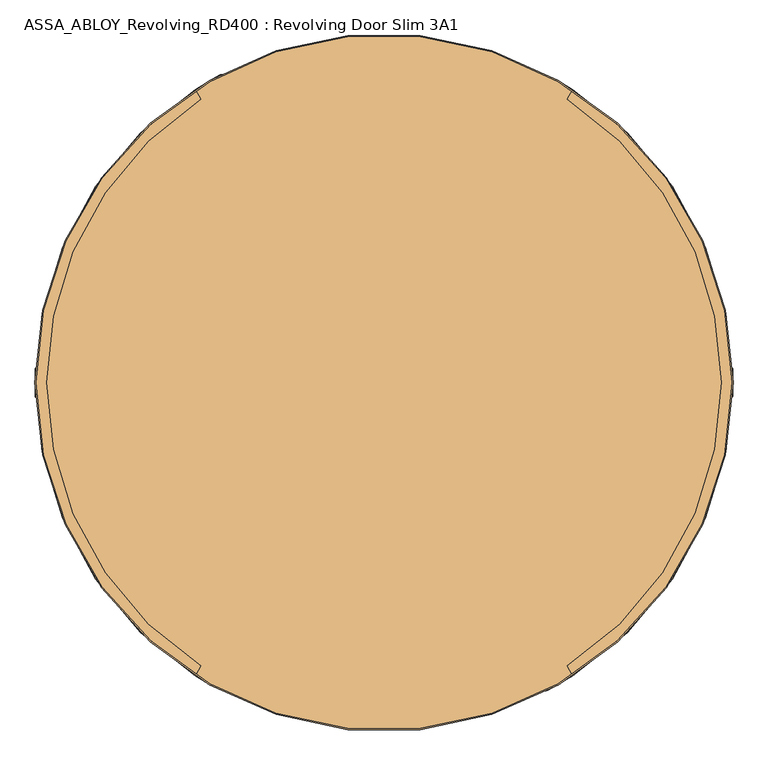
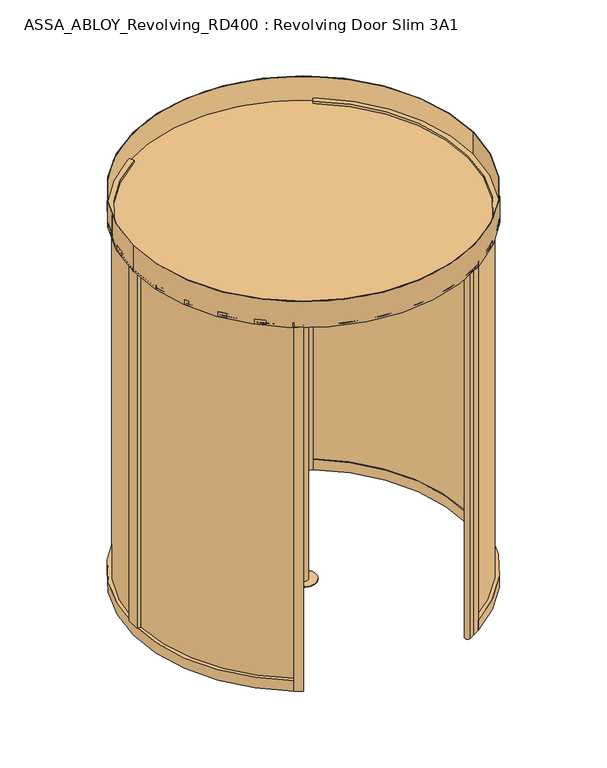
"""IFC4 building model written with IfcOpenShell, lengths in millimetres: door geometry, ASSA_ABLOY_Revolving_RD400 : Revolving Door Slim 3A1."""

from ifc_helpers import new_model, si_unit, point, frame, frame_2d, origin, origin_with_axes, origin_2d, place, context, project, spatial, polyline, circle_curve, trimmed, segment, composite_curve, outline, extrude, source, transform, mapped, element, save


def assa_abloy_revolving_rd400_revolving_door_slim_3a1_daf3db0e(model_context):
    return source(origin(), model_context, "Body", "SweptSolid", [
        extrude(outline(polyline([(28.0, -1107.4407922), (47.8848654, -1114.768158), (47.8848654, -1118.3412198), (28.0, -1125.6685856), (28.0, -1122.8463846), (33.6340452, -1120.842363), (33.6340452, -1112.2721931), (28.0, -1110.2681716), (28.0, -1107.4407922)]), holes=[polyline([(35.9539462, -1113.126621), (35.9539462, -1120.0034703), (45.4562191, -1116.5546889), (35.9539462, -1113.126621)])]), frame((0.0, -22.0, 0.0), z_axis=(0.0, 1.0, 0.0), x_axis=(0.0, 0.0, 1.0)), (0.0, 0.0, 1.0), 2.0),
        extrude(outline(polyline([(33.6858287, -1089.8758278), (36.999973, -1091.0383674), (38.7709688, -1094.505273), (39.3172847, -1097.2731013), (39.7703904, -1099.7923687), (40.8500765, -1102.1355723), (42.794547, -1102.8009903), (45.0290052, -1101.4442625), (45.8963789, -1097.8556657), (45.2361392, -1093.8761034), (43.5764779, -1090.5386566), (46.7870552, -1090.5386566), (47.804601, -1093.7466447), (48.2162799, -1097.7262069), (46.6239371, -1103.269631), (42.5408079, -1105.4523057), (39.0195296, -1104.1292372), (37.1087183, -1100.061643), (36.6685585, -1097.4931812), (36.2283987, -1095.2405988), (35.2574581, -1093.1977395), (33.3129875, -1092.5271432), (30.8946979, -1093.9330653), (29.9884865, -1097.8660224), (30.6772071, -1101.6772883), (32.6398019, -1105.4523057), (29.2790525, -1105.4523057), (28.0750861, -1101.9051357), (27.6685856, -1097.9747678), (28.147583, -1094.4949163), (29.4810082, -1091.9678813), (31.3944087, -1090.4247329), (33.6858287, -1089.8758278)])), frame((0.0, -22.0, 0.0), z_axis=(0.0, 1.0, 0.0), x_axis=(0.0, 0.0, 1.0)), (0.0, 0.0, 1.0), 2.0),
        extrude(outline(polyline([(33.6858287, -1070.9852056), (36.999973, -1072.1477453), (38.7709688, -1075.6146508), (39.3172847, -1078.3824791), (39.7703904, -1080.9017466), (40.8500765, -1083.2449501), (42.794547, -1083.9103681), (45.0290052, -1082.5536403), (45.8963789, -1078.9650435), (45.2361392, -1074.9854813), (43.5764779, -1071.6480344), (46.7870552, -1071.6480344), (47.804601, -1074.8560225), (48.2162799, -1078.8355848), (46.6239371, -1084.3790088), (42.5408079, -1086.5616835), (39.0195296, -1085.238615), (37.1087183, -1081.1710208), (36.6685585, -1078.602559), (36.2283987, -1076.3499766), (35.2574581, -1074.3071174), (33.3129875, -1073.636521), (30.8946979, -1075.0424431), (29.9884865, -1078.9754002), (30.6772071, -1082.7866661), (32.6398019, -1086.5616835), (29.2790525, -1086.5616835), (28.0750861, -1083.0145135), (27.6685856, -1079.0841456), (28.147583, -1075.6042941), (29.4810082, -1073.0772591), (31.3944087, -1071.5341107), (33.6858287, -1070.9852056)])), frame((0.0, -22.0, 0.0), z_axis=(0.0, 1.0, 0.0), x_axis=(0.0, 0.0, 1.0)), (0.0, 0.0, 1.0), 2.0),
        extrude(outline(polyline([(28.0, -1050.7689257), (47.8848654, -1058.0962915), (47.8848654, -1061.6693533), (28.0, -1068.996719), (28.0, -1066.1745181), (33.6340452, -1064.1704965), (33.6340452, -1055.6003266), (28.0, -1053.596305), (28.0, -1050.7689257)]), holes=[polyline([(35.9539462, -1056.4547544), (35.9539462, -1063.3316037), (45.4562191, -1059.8828224), (35.9539462, -1056.4547544)])]), frame((0.0, -22.0, 0.0), z_axis=(0.0, 1.0, 0.0), x_axis=(0.0, 0.0, 1.0)), (0.0, 0.0, 1.0), 2.0),
        extrude(outline(polyline([(28.0, -1022.2672852), (47.8848654, -1029.594651), (47.8848654, -1033.1677128), (28.0, -1040.4950786), (28.0, -1037.6728776), (33.6340452, -1035.668856), (33.6340452, -1027.0986861), (28.0, -1025.0946645), (28.0, -1022.2672852)]), holes=[polyline([(35.9539462, -1027.953114), (35.9539462, -1034.8299633), (45.4562191, -1031.3811819), (35.9539462, -1027.953114)])]), frame((0.0, -22.0, 0.0), z_axis=(0.0, 1.0, 0.0), x_axis=(0.0, 0.0, 1.0)), (0.0, 0.0, 1.0), 2.0),
        extrude(outline(polyline([(34.1311668, -1004.0394919), (37.561824, -1005.2097991), (39.4441543, -1008.4100196), (41.0597997, -1006.4370681), (43.4521975, -1005.696564), (45.5960346, -1006.2014532), (47.0615077, -1007.824866), (47.7269258, -1009.9402222), (47.8848654, -1013.2673123), (47.8848654, -1019.2845554), (28.0, -1019.2845554), (28.0, -1012.1177185), (28.3754304, -1008.6482237), (29.6311804, -1006.1419022), (31.5083324, -1004.6091105), (34.1311668, -1004.0394919)]), holes=[polyline([(41.5595105, -1009.6631804), (39.9309193, -1013.0498216), (39.9309193, -1016.63324), (45.5649645, -1016.63324), (45.5649645, -1013.3294525), (45.4795217, -1011.0069623), (41.5595105, -1009.6631804)]), polyline([(34.0172431, -1006.6908073), (32.3187442, -1007.0507027), (31.148437, -1008.1821722), (30.4985541, -1010.0645026), (30.319901, -1013.0083948), (30.319901, -1016.63324), (37.6110183, -1016.63324), (37.6110183, -1012.3352092), (37.5126296, -1010.0308433), (37.0828266, -1008.4203763), (35.8995735, -1007.0636485), (34.0172431, -1006.6908073)])]), frame((0.0, -22.0, 0.0), z_axis=(0.0, 1.0, 0.0), x_axis=(0.0, 0.0, 1.0)), (0.0, 0.0, 1.0), 2.0),
        extrude(outline(polyline([(28.0, -987.8001851), (30.319901, -987.8001851), (30.319901, -997.7426179), (47.8848654, -997.7426179), (47.8848654, -1000.3939332), (28.0, -1000.3939332), (28.0, -987.8001851)])), frame((0.0, -22.0, 0.0), z_axis=(0.0, 1.0, 0.0), x_axis=(0.0, 0.0, 1.0)), (0.0, 0.0, 1.0), 2.0),
        extrude(outline(polyline([(45.5390727, -970.3905712), (47.5197917, -973.2464314), (48.2162799, -977.0343947), (47.5275593, -980.7861095), (45.5390727, -983.6678615), (42.2611769, -985.5113543), (37.9372544, -986.143113), (33.5770834, -985.5035867), (30.3561494, -983.6782182), (28.3573062, -980.7990554), (27.6685856, -977.0343947), (28.3443603, -973.2593773), (30.3561494, -970.3905712), (33.571905, -968.5677918), (37.9372544, -967.9153197), (42.292247, -968.554846), (45.5390727, -970.3905712)]), holes=[polyline([(37.9372544, -970.5666351), (32.0339349, -972.3169175), (29.9884865, -977.024038), (32.0339349, -981.7337477), (37.9372544, -983.4917976), (43.8250388, -981.7674069), (45.8963789, -977.024038), (43.8250388, -972.2962041), (37.9372544, -970.5666351)])]), frame((0.0, -22.0, 0.0), z_axis=(0.0, 1.0, 0.0), x_axis=(0.0, 0.0, 1.0)), (0.0, 0.0, 1.0), 2.0),
        extrude(outline(polyline([(47.8848654, -949.0246975), (47.8848654, -952.1938479), (38.9884595, -957.6259375), (47.8848654, -963.1149889), (47.8848654, -966.2582476), (36.4407111, -958.9671302), (28.0, -958.9671302), (28.0, -956.3158148), (36.720342, -956.3158148), (47.8848654, -949.0246975)])), frame((0.0, -22.0, 0.0), z_axis=(0.0, 1.0, 0.0), x_axis=(0.0, 0.0, 1.0)), (0.0, 0.0, 1.0), 2.0),
        extrude(outline(polyline([(28.0, -967.9153197), (28.0, -965.0879404), (33.6340452, -963.0839188), (33.6340452, -954.5137489), (28.0, -952.5097273), (28.0, -949.6875264), (47.8848654, -957.0148921), (47.8848654, -960.5879539), (28.0, -967.9153197)]), holes=[polyline([(35.9539462, -962.229491), (45.4562191, -958.801423), (35.9539462, -955.3526417), (35.9539462, -962.229491)])]), frame((0.0, 20.0, 0.0), z_axis=(0.0, 1.0, 0.0), x_axis=(0.0, 0.0, 1.0)), (0.0, 0.0, 1.0), 2.0),
        extrude(outline(polyline([(33.6858287, -985.4802842), (31.3944087, -984.931379), (29.4810082, -983.3882306), (28.147583, -980.8611956), (27.6685856, -977.3813442), (28.0750861, -973.4509762), (29.2790525, -969.9038062), (32.6398019, -969.9038062), (30.6772071, -973.6788237), (29.9884865, -977.4900895), (30.8946979, -981.4230466), (33.3129875, -982.8289688), (35.2574581, -982.1583724), (36.2283987, -980.1155132), (36.6685585, -977.8629308), (37.1087183, -975.294469), (39.0195296, -971.2268747), (42.5408079, -969.9038062), (46.6239371, -972.0864809), (48.2162799, -977.629905), (47.804601, -981.6094673), (46.7870552, -984.8174553), (43.5764779, -984.8174553), (45.2361392, -981.4800085), (45.8963789, -977.5004462), (45.0290052, -973.9118494), (42.794547, -972.5551216), (40.8500765, -973.2205396), (39.7703904, -975.5637432), (39.3172847, -978.0830106), (38.7709688, -980.8508389), (36.999973, -984.3177445), (33.6858287, -985.4802842)])), frame((0.0, 20.0, 0.0), z_axis=(0.0, 1.0, 0.0), x_axis=(0.0, 0.0, 1.0)), (0.0, 0.0, 1.0), 2.0),
        extrude(outline(polyline([(33.6858287, -1004.3709063), (31.3944087, -1003.8220012), (29.4810082, -1002.2788528), (28.147583, -999.7518178), (27.6685856, -996.2719663), (28.0750861, -992.3415984), (29.2790525, -988.7944284), (32.6398019, -988.7944284), (30.6772071, -992.5694458), (29.9884865, -996.3807117), (30.8946979, -1000.3136688), (33.3129875, -1001.7195909), (35.2574581, -1001.0489946), (36.2283987, -999.0061353), (36.6685585, -996.7535529), (37.1087183, -994.1850911), (39.0195296, -990.1174969), (42.5408079, -988.7944284), (46.6239371, -990.9771031), (48.2162799, -996.5205272), (47.804601, -1000.5000894), (46.7870552, -1003.7080775), (43.5764779, -1003.7080775), (45.2361392, -1000.3706307), (45.8963789, -996.3910684), (45.0290052, -992.8024716), (42.794547, -991.4457438), (40.8500765, -992.1111618), (39.7703904, -994.4543654), (39.3172847, -996.9736328), (38.7709688, -999.7414611), (36.999973, -1003.2083667), (33.6858287, -1004.3709063)])), frame((0.0, 20.0, 0.0), z_axis=(0.0, 1.0, 0.0), x_axis=(0.0, 0.0, 1.0)), (0.0, 0.0, 1.0), 2.0),
        extrude(outline(polyline([(28.0, -1024.5871862), (28.0, -1021.7598069), (33.6340452, -1019.7557853), (33.6340452, -1011.1856154), (28.0, -1009.1815938), (28.0, -1006.3593929), (47.8848654, -1013.6867587), (47.8848654, -1017.2598204), (28.0, -1024.5871862)]), holes=[polyline([(35.9539462, -1018.9013575), (45.4562191, -1015.4732895), (35.9539462, -1012.0245082), (35.9539462, -1018.9013575)])]), frame((0.0, 20.0, 0.0), z_axis=(0.0, 1.0, 0.0), x_axis=(0.0, 0.0, 1.0)), (0.0, 0.0, 1.0), 2.0),
        extrude(outline(polyline([(28.0, -1053.0888267), (28.0, -1050.2614474), (33.6340452, -1048.2574258), (33.6340452, -1039.6872559), (28.0, -1037.6832343), (28.0, -1034.8610334), (47.8848654, -1042.1883991), (47.8848654, -1045.7614609), (28.0, -1053.0888267)]), holes=[polyline([(35.9539462, -1047.402998), (45.4562191, -1043.97493), (35.9539462, -1040.5261487), (35.9539462, -1047.402998)])]), frame((0.0, 20.0, 0.0), z_axis=(0.0, 1.0, 0.0), x_axis=(0.0, 0.0, 1.0)), (0.0, 0.0, 1.0), 2.0),
        extrude(outline(polyline([(34.1311668, -1071.31662), (31.5083324, -1070.7470015), (29.6311804, -1069.2142098), (28.3754304, -1066.7078882), (28.0, -1063.2383934), (28.0, -1056.0715565), (47.8848654, -1056.0715565), (47.8848654, -1062.0887996), (47.7269258, -1065.4158898), (47.0615077, -1067.5312459), (45.5960346, -1069.1546587), (43.4521975, -1069.6595479), (41.0597997, -1068.9190438), (39.4441543, -1066.9460923), (37.561824, -1070.1463128), (34.1311668, -1071.31662)]), holes=[polyline([(41.5595105, -1065.6929315), (45.4795217, -1064.3491496), (45.5649645, -1062.0266594), (45.5649645, -1058.7228719), (39.9309193, -1058.7228719), (39.9309193, -1062.3062904), (41.5595105, -1065.6929315)]), polyline([(34.0172431, -1068.6653046), (35.8995735, -1068.2924634), (37.0828266, -1066.9357356), (37.5126296, -1065.3252686), (37.6110183, -1063.0209027), (37.6110183, -1058.7228719), (30.319901, -1058.7228719), (30.319901, -1062.3477172), (30.4985541, -1065.2916094), (31.148437, -1067.1739397), (32.3187442, -1068.3054093), (34.0172431, -1068.6653046)])]), frame((0.0, 20.0, 0.0), z_axis=(0.0, 1.0, 0.0), x_axis=(0.0, 0.0, 1.0)), (0.0, 0.0, 1.0), 2.0),
        extrude(outline(polyline([(28.0, -1087.5559268), (28.0, -1074.9621787), (47.8848654, -1074.9621787), (47.8848654, -1077.6134941), (30.319901, -1077.6134941), (30.319901, -1087.5559268), (28.0, -1087.5559268)])), frame((0.0, 20.0, 0.0), z_axis=(0.0, 1.0, 0.0), x_axis=(0.0, 0.0, 1.0)), (0.0, 0.0, 1.0), 2.0),
        extrude(outline(polyline([(45.5390727, -1104.9655408), (42.292247, -1106.801266), (37.9372544, -1107.4407922), (33.571905, -1106.7883201), (30.3561494, -1104.9655408), (28.3443603, -1102.0967347), (27.6685856, -1098.3217172), (28.3573062, -1094.5570565), (30.3561494, -1091.6778937), (33.5770834, -1089.8525252), (37.9372544, -1089.2129989), (42.2611769, -1089.8447577), (45.5390727, -1091.6882504), (47.5275593, -1094.5700024), (48.2162799, -1098.3217172), (47.5197917, -1102.1096805), (45.5390727, -1104.9655408)]), holes=[polyline([(37.9372544, -1104.7894769), (43.8250388, -1103.0599078), (45.8963789, -1098.3320739), (43.8250388, -1093.588705), (37.9372544, -1091.8643143), (32.0339349, -1093.6223643), (29.9884865, -1098.3320739), (32.0339349, -1103.0391944), (37.9372544, -1104.7894769)])]), frame((0.0, 20.0, 0.0), z_axis=(0.0, 1.0, 0.0), x_axis=(0.0, 0.0, 1.0)), (0.0, 0.0, 1.0), 2.0),
        extrude(outline(polyline([(47.8848654, -1126.3314144), (36.720342, -1119.0402971), (28.0, -1119.0402971), (28.0, -1116.3889817), (36.4407111, -1116.3889817), (47.8848654, -1109.0978644), (47.8848654, -1112.241123), (38.9884595, -1117.7301744), (47.8848654, -1123.162264), (47.8848654, -1126.3314144)])), frame((0.0, 20.0, 0.0), z_axis=(0.0, 1.0, 0.0), x_axis=(0.0, 0.0, 1.0)), (0.0, 0.0, 1.0), 2.0),
        extrude(outline(composite_curve([segment(polyline([(-600.0, 1039.2304845), (-620.0, 1073.8715007)]), True, "CONTINUOUS"), segment(trimmed(circle_curve(origin_2d(), 1240.0), [point((-620.0, 1073.8715007))], [point((-585.0363192, 1093.3126292))], False, "CARTESIAN"), True, "CONTINUOUS"), segment(trimmed(circle_curve(frame_2d((-575.5902563, 1075.6598792)), 20.0211809), [point((-585.0363192, 1093.3126292))], [point((-565.0255579, 1058.6529738))], False, "CARTESIAN"), True, "CONTINUOUS"), segment(trimmed(circle_curve(origin_2d(), 1200.0), [point((-565.0255579, 1058.6529738))], [point((-600.0, 1039.2304845))], True, "CARTESIAN"), True, "CONTINUOUS")], self_intersect=False)), origin_with_axes(), (0.0, 0.0, 1.0), 2800.0),
        extrude(outline(composite_curve([segment(polyline([(600.0, -1039.2304845), (620.0, -1073.8715007)]), True, "CONTINUOUS"), segment(trimmed(circle_curve(origin_2d(), 1240.0), [point((620.0, -1073.8715007))], [point((585.0363192, -1093.3126292))], False, "CARTESIAN"), True, "CONTINUOUS"), segment(trimmed(circle_curve(frame_2d((575.5902563, -1075.6598792)), 20.0211809), [point((585.0363192, -1093.3126292))], [point((565.0255579, -1058.6529738))], False, "CARTESIAN"), True, "CONTINUOUS"), segment(trimmed(circle_curve(origin_2d(), 1200.0), [point((565.0255579, -1058.6529738))], [point((600.0, -1039.2304845))], True, "CARTESIAN"), True, "CONTINUOUS")], self_intersect=False)), origin_with_axes(), (0.0, 0.0, 1.0), 2800.0),
        extrude(outline(composite_curve([segment(trimmed(circle_curve(origin_2d(), 1226.0), [point((-1226.0, 0.0))], [point((1226.0, 0.0))], False, "CARTESIAN"), True, "CONTINUOUS"), segment(trimmed(circle_curve(origin_2d(), 1226.0), [point((1226.0, 0.0))], [point((-1226.0, 0.0))], False, "CARTESIAN"), True, "CONTINUOUS")], self_intersect=False)), frame((0.0, 0.0, 2800.0), z_axis=(0.0, 0.0, 1.0), x_axis=(1.0, 0.0, 0.0)), (0.0, 0.0, 1.0), 16.0),
        extrude(outline(composite_curve([segment(polyline([(-671.2352924, 1042.4070549), (-651.2110549, 1007.7240581)]), True, "CONTINUOUS"), segment(trimmed(circle_curve(frame_2d((0.0, -0.2065754)), 1200.0), [point((-651.2110549, 1007.7240581))], [point((-651.2110549, -1008.1372089))], True, "CARTESIAN"), True, "CONTINUOUS"), segment(polyline([(-651.2110549, -1008.1372089), (-671.2352924, -1042.8202058)]), True, "CONTINUOUS"), segment(trimmed(circle_curve(frame_2d((0.0, -0.2065754)), 1240.0), [point((-671.2352924, -1042.8202058))], [point((-671.2352924, 1042.4070549))], False, "CARTESIAN"), True, "CONTINUOUS")], self_intersect=False)), frame((0.0, 0.0, 2803.0), z_axis=(0.0, 0.0, 1.0), x_axis=(1.0, 0.0, 0.0)), (0.0, 0.0, 1.0), 35.0),
        extrude(outline(composite_curve([segment(polyline([(-671.2352924, -1042.8202058), (-651.2110549, -1008.1372089)]), True, "CONTINUOUS"), segment(trimmed(circle_curve(frame_2d((0.0, -0.2065754)), 1200.0), [point((-651.2110549, -1008.1372089))], [point((-600.0, -1039.4370599))], True, "CARTESIAN"), True, "CONTINUOUS"), segment(polyline([(-600.0, -1039.4370599), (-620.0, -1074.0780761)]), True, "CONTINUOUS"), segment(trimmed(circle_curve(frame_2d((0.0, -0.2065754)), 1240.0), [point((-620.0, -1074.0780761))], [point((-671.2352924, -1042.8202058))], False, "CARTESIAN"), True, "CONTINUOUS")], self_intersect=False)), frame((0.0, 0.0, 3.0), z_axis=(0.0, 0.0, 1.0), x_axis=(1.0, 0.0, 0.0)), (0.0, 0.0, 1.0), 2800.0),
        extrude(outline(composite_curve([segment(polyline([(-620.0, 1073.6649253), (-600.0, 1039.0239091)]), True, "CONTINUOUS"), segment(trimmed(circle_curve(frame_2d((0.0, -0.2065754)), 1200.0), [point((-600.0, 1039.0239091))], [point((-651.2110549, 1007.7240581))], True, "CARTESIAN"), True, "CONTINUOUS"), segment(polyline([(-651.2110549, 1007.7240581), (-671.2352924, 1042.4070549)]), True, "CONTINUOUS"), segment(trimmed(circle_curve(frame_2d((0.0, -0.2065754)), 1240.0), [point((-671.2352924, 1042.4070549))], [point((-620.0, 1073.6649253))], False, "CARTESIAN"), True, "CONTINUOUS")], self_intersect=False)), frame((0.0, 0.0, 3.0), z_axis=(0.0, 0.0, 1.0), x_axis=(1.0, 0.0, 0.0)), (0.0, 0.0, 1.0), 2800.0),
        extrude(outline(composite_curve([segment(polyline([(-1211.969059, -50.2065754), (-1203.9622087, -50.2065754)]), True, "CONTINUOUS"), segment(trimmed(circle_curve(frame_2d((0.0, -0.2065754)), 1205.0), [point((-1203.9622087, -50.2065754))], [point((-653.7141727, -1012.4727362))], True, "CARTESIAN"), True, "CONTINUOUS"), segment(polyline([(-653.7141727, -1012.4727362), (-657.7191078, -1019.4094871)]), True, "CONTINUOUS"), segment(trimmed(circle_curve(frame_2d((0.0, -0.2065754)), 1213.0), [point((-657.7191078, -1019.4094871))], [point((-1211.969059, -50.2065754))], False, "CARTESIAN"), True, "CONTINUOUS")], self_intersect=False)), frame((0.0, 0.0, 83.0), z_axis=(0.0, 0.0, 1.0), x_axis=(1.0, 0.0, 0.0)), (0.0, 0.0, 1.0), 2720.0),
        extrude(outline(composite_curve([segment(polyline([(-657.7191078, 1018.9963363), (-653.7141727, 1012.0595854)]), True, "CONTINUOUS"), segment(trimmed(circle_curve(frame_2d((0.0, -0.2065754)), 1205.0), [point((-653.7141727, 1012.0595854))], [point((-1203.9622087, 49.7934246))], True, "CARTESIAN"), True, "CONTINUOUS"), segment(polyline([(-1203.9622087, 49.7934246), (-1211.969059, 49.7934246)]), True, "CONTINUOUS"), segment(trimmed(circle_curve(frame_2d((0.0, -0.2065754)), 1213.0), [point((-1211.969059, 49.7934246))], [point((-657.7191078, 1018.9963363))], False, "CARTESIAN"), True, "CONTINUOUS")], self_intersect=False)), frame((0.0, 0.0, 83.0), z_axis=(0.0, 0.0, 1.0), x_axis=(1.0, 0.0, 0.0)), (0.0, 0.0, 1.0), 2720.0),
        extrude(outline(polyline([(-1240.0, -50.2065754), (-1240.0, 49.7934246), (-1200.0, 49.7934246), (-1200.0, -50.2065754), (-1240.0, -50.2065754)])), frame((0.0, 0.0, 83.0), z_axis=(0.0, 0.0, 1.0), x_axis=(1.0, 0.0, 0.0)), (0.0, 0.0, 1.0), 2720.0),
        extrude(outline(composite_curve([segment(polyline([(-671.2352924, 1042.4070549), (-651.2110549, 1007.7240581)]), True, "CONTINUOUS"), segment(trimmed(circle_curve(frame_2d((0.0, -0.2065754)), 1200.0), [point((-651.2110549, 1007.7240581))], [point((-651.2110549, -1008.1372089))], True, "CARTESIAN"), True, "CONTINUOUS"), segment(polyline([(-651.2110549, -1008.1372089), (-671.2352924, -1042.8202058)]), True, "CONTINUOUS"), segment(trimmed(circle_curve(frame_2d((0.0, -0.2065754)), 1240.0), [point((-671.2352924, -1042.8202058))], [point((-671.2352924, 1042.4070549))], False, "CARTESIAN"), True, "CONTINUOUS")], self_intersect=False)), frame((0.0, 0.0, 3.0), z_axis=(0.0, 0.0, 1.0), x_axis=(1.0, 0.0, 0.0)), (0.0, 0.0, 1.0), 80.0),
        extrude(outline(composite_curve([segment(trimmed(circle_curve(origin_2d(), 1240.0), [point((671.2352924, 1042.6136303))], [point((671.2352924, -1042.6136303))], False, "CARTESIAN"), True, "CONTINUOUS"), segment(polyline([(671.2352924, -1042.6136303), (651.2110549, -1007.9306335)]), True, "CONTINUOUS"), segment(trimmed(circle_curve(origin_2d(), 1200.0), [point((651.2110549, -1007.9306335))], [point((651.2110549, 1007.9306335))], True, "CARTESIAN"), True, "CONTINUOUS"), segment(polyline([(651.2110549, 1007.9306335), (671.2352924, 1042.6136303)]), True, "CONTINUOUS")], self_intersect=False)), frame((0.0, 0.0, 2800.0), z_axis=(0.0, 0.0, 1.0), x_axis=(1.0, 0.0, 0.0)), (0.0, 0.0, 1.0), 35.0),
        extrude(outline(composite_curve([segment(trimmed(circle_curve(origin_2d(), 1240.0), [point((671.2352924, -1042.6136303))], [point((620.0, -1073.8715007))], False, "CARTESIAN"), True, "CONTINUOUS"), segment(polyline([(620.0, -1073.8715007), (600.0, -1039.2304845)]), True, "CONTINUOUS"), segment(trimmed(circle_curve(origin_2d(), 1200.0), [point((600.0, -1039.2304845))], [point((651.2110549, -1007.9306335))], True, "CARTESIAN"), True, "CONTINUOUS"), segment(polyline([(651.2110549, -1007.9306335), (671.2352924, -1042.6136303)]), True, "CONTINUOUS")], self_intersect=False)), origin_with_axes(), (0.0, 0.0, 1.0), 2800.0),
        extrude(outline(composite_curve([segment(trimmed(circle_curve(origin_2d(), 1240.0), [point((620.0, 1073.8715007))], [point((671.2352924, 1042.6136303))], False, "CARTESIAN"), True, "CONTINUOUS"), segment(polyline([(671.2352924, 1042.6136303), (651.2110549, 1007.9306335)]), True, "CONTINUOUS"), segment(trimmed(circle_curve(origin_2d(), 1200.0), [point((651.2110549, 1007.9306335))], [point((600.0, 1039.2304845))], True, "CARTESIAN"), True, "CONTINUOUS"), segment(polyline([(600.0, 1039.2304845), (620.0, 1073.8715007)]), True, "CONTINUOUS")], self_intersect=False)), origin_with_axes(), (0.0, 0.0, 1.0), 2800.0),
        extrude(outline(composite_curve([segment(trimmed(circle_curve(origin_2d(), 1213.0), [point((1211.969059, -50.0))], [point((657.7191078, -1019.2029117))], False, "CARTESIAN"), True, "CONTINUOUS"), segment(polyline([(657.7191078, -1019.2029117), (653.7141727, -1012.2661608)]), True, "CONTINUOUS"), segment(trimmed(circle_curve(origin_2d(), 1205.0), [point((653.7141727, -1012.2661608))], [point((1203.9622087, -50.0))], True, "CARTESIAN"), True, "CONTINUOUS"), segment(polyline([(1203.9622087, -50.0), (1211.969059, -50.0)]), True, "CONTINUOUS")], self_intersect=False)), frame((0.0, 0.0, 80.0), z_axis=(0.0, 0.0, 1.0), x_axis=(1.0, 0.0, 0.0)), (0.0, 0.0, 1.0), 2720.0),
        extrude(outline(composite_curve([segment(trimmed(circle_curve(origin_2d(), 1213.0), [point((657.7191078, 1019.2029117))], [point((1211.969059, 50.0))], False, "CARTESIAN"), True, "CONTINUOUS"), segment(polyline([(1211.969059, 50.0), (1203.9622087, 50.0)]), True, "CONTINUOUS"), segment(trimmed(circle_curve(origin_2d(), 1205.0), [point((1203.9622087, 50.0))], [point((653.7141727, 1012.2661608))], True, "CARTESIAN"), True, "CONTINUOUS"), segment(polyline([(653.7141727, 1012.2661608), (657.7191078, 1019.2029117)]), True, "CONTINUOUS")], self_intersect=False)), frame((0.0, 0.0, 80.0), z_axis=(0.0, 0.0, 1.0), x_axis=(1.0, 0.0, 0.0)), (0.0, 0.0, 1.0), 2720.0),
        extrude(outline(polyline([(1240.0, -50.0), (1200.0, -50.0), (1200.0, 50.0), (1240.0, 50.0), (1240.0, -50.0)])), frame((0.0, 0.0, 80.0), z_axis=(0.0, 0.0, 1.0), x_axis=(1.0, 0.0, 0.0)), (0.0, 0.0, 1.0), 2720.0),
        extrude(outline(composite_curve([segment(trimmed(circle_curve(origin_2d(), 1240.0), [point((671.2352924, 1042.6136303))], [point((671.2352924, -1042.6136303))], False, "CARTESIAN"), True, "CONTINUOUS"), segment(polyline([(671.2352924, -1042.6136303), (651.2110549, -1007.9306335)]), True, "CONTINUOUS"), segment(trimmed(circle_curve(origin_2d(), 1200.0), [point((651.2110549, -1007.9306335))], [point((651.2110549, 1007.9306335))], True, "CARTESIAN"), True, "CONTINUOUS"), segment(polyline([(651.2110549, 1007.9306335), (671.2352924, 1042.6136303)]), True, "CONTINUOUS")], self_intersect=False)), origin_with_axes(), (0.0, 0.0, 1.0), 80.0),
        extrude(outline(composite_curve([segment(trimmed(circle_curve(origin_2d(), 1241.0), [point((-1241.0, 0.0))], [point((1241.0, 0.0))], False, "CARTESIAN"), True, "CONTINUOUS"), segment(trimmed(circle_curve(origin_2d(), 1241.0), [point((1241.0, 0.0))], [point((-1241.0, 0.0))], False, "CARTESIAN"), True, "CONTINUOUS")], self_intersect=False), holes=[composite_curve([segment(trimmed(circle_curve(origin_2d(), 1237.0), [point((-1237.0, 0.0))], [point((1237.0, 0.0))], True, "CARTESIAN"), True, "CONTINUOUS"), segment(trimmed(circle_curve(origin_2d(), 1237.0), [point((1237.0, 0.0))], [point((-1237.0, 0.0))], True, "CARTESIAN"), True, "CONTINUOUS")], self_intersect=False)]), frame((0.0, 0.0, 2800.0), z_axis=(0.0, 0.0, 1.0), x_axis=(1.0, 0.0, 0.0)), (0.0, 0.0, 1.0), 200.0),
        extrude(outline(composite_curve([segment(trimmed(circle_curve(origin_2d(), 1241.0), [point((-1241.0, 0.0))], [point((1241.0, 0.0))], False, "CARTESIAN"), True, "CONTINUOUS"), segment(trimmed(circle_curve(origin_2d(), 1241.0), [point((1241.0, 0.0))], [point((-1241.0, 0.0))], False, "CARTESIAN"), True, "CONTINUOUS")], self_intersect=False)), frame((0.0, 0.0, 2800.0), z_axis=(0.0, 0.0, 1.0), x_axis=(1.0, 0.0, 0.0)), (0.0, 0.0, 1.0), 18.0),
        extrude(outline(composite_curve([segment(trimmed(circle_curve(origin_2d(), 34.0), [point((-34.0, 0.0))], [point((34.0, 0.0))], False, "CARTESIAN"), True, "CONTINUOUS"), segment(trimmed(circle_curve(origin_2d(), 34.0), [point((34.0, 0.0))], [point((-34.0, 0.0))], False, "CARTESIAN"), True, "CONTINUOUS")], self_intersect=False)), origin_with_axes(), (0.0, 0.0, 1.0), 2600.0),
        extrude(outline(composite_curve([segment(trimmed(circle_curve(origin_2d(), 94.0), [point((-94.0, 0.0))], [point((94.0, 0.0))], False, "CARTESIAN"), True, "CONTINUOUS"), segment(trimmed(circle_curve(origin_2d(), 94.0), [point((94.0, 0.0))], [point((-94.0, 0.0))], False, "CARTESIAN"), True, "CONTINUOUS")], self_intersect=False)), origin_with_axes(), (0.0, 0.0, 1.0), 3.0),
    ])


if __name__ == "__main__":
    model = new_model("IFC4")
    model_context = context("Model", 3, world=origin())
    ifc_project = project(units=[si_unit("LENGTHUNIT", "METRE", prefix="MILLI")], contexts=[model_context])
    site = spatial("IfcSite", under=ifc_project)
    building = spatial("IfcBuilding", under=site)
    placement = place(None, origin())
    assa_abloy_revolving_rd400_revolving_door_slim_3a1_shape = assa_abloy_revolving_rd400_revolving_door_slim_3a1_daf3db0e(model_context)
    element("IfcDoor", 1, ObjectType="ASSA_ABLOY_Revolving_RD400 : Revolving Door Slim 3A1", at=placement, inside=building, context=model_context, shape_type="MappedRepresentation", body=[
        mapped(assa_abloy_revolving_rd400_revolving_door_slim_3a1_shape, transform((0.0, 0.0, 0.0), x_axis=(1.0, 0.0, 0.0), y_axis=(0.0, 1.0, 0.0), z_axis=(0.0, 0.0, 1.0))),
    ])
    save(model, "model.ifc")
